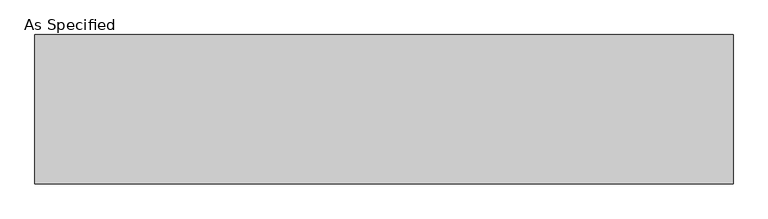
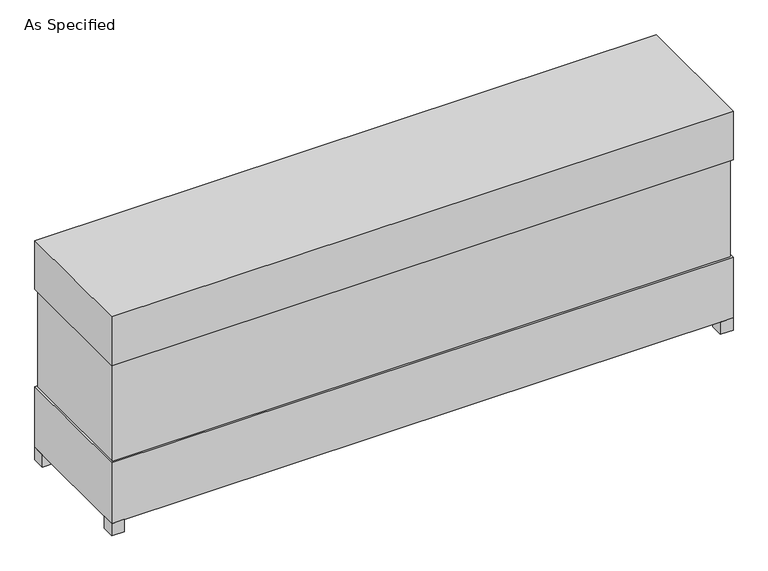
"""IFC4 building model written with IfcOpenShell, lengths in millimetres: proxy geometry, As Specified."""

from ifc_helpers import new_model, si_unit, frame, origin, origin_with_axes, place, context, project, spatial, polyline, outline, extrude, source, transform, mapped, element, save


def as_specified_dff8dc24(model_context):
    return source(origin(), model_context, "Body", "SweptSolid", [
        extrude(outline(polyline([(1830.3875, 382.5875), (1830.3875, -382.5875), (-1830.3875, -382.5875), (-1830.3875, 382.5875), (1830.3875, 382.5875)])), frame((0.0, 0.0, 457.2), z_axis=(0.0, 0.0, 1.0), x_axis=(1.0, 0.0, 0.0)), (0.0, 0.0, 1.0), 609.6),
        extrude(outline(polyline([(1841.5, 393.7), (1841.5, -393.7), (-1841.5, -393.7), (-1841.5, 393.7), (1841.5, 393.7)])), frame((0.0, 0.0, 1066.8), z_axis=(0.0, 0.0, 1.0), x_axis=(1.0, 0.0, 0.0)), (0.0, 0.0, 1.0), 304.8),
        extrude(outline(polyline([(1727.2, 177.8), (1727.2, 101.6), (1651.0, 101.6), (1651.0, 177.8), (1727.2, 177.8)])), frame((0.0, 0.0, 50.8), z_axis=(0.0, 0.0, 1.0), x_axis=(1.0, 0.0, 0.0)), (0.0, 0.0, 1.0), 25.4),
        extrude(outline(polyline([(1727.2, -101.6), (1727.2, -177.8), (1651.0, -177.8), (1651.0, -101.6), (1727.2, -101.6)])), frame((0.0, 0.0, 50.8), z_axis=(0.0, 0.0, 1.0), x_axis=(1.0, 0.0, 0.0)), (0.0, 0.0, 1.0), 25.4),
        extrude(outline(polyline([(-1765.3, 393.7), (-1765.3, 317.5), (-1841.5, 317.5), (-1841.5, 393.7), (-1765.3, 393.7)])), origin_with_axes(), (0.0, 0.0, 1.0), 76.2),
        extrude(outline(polyline([(1841.5, 393.7), (1841.5, 317.5), (1765.3, 317.5), (1765.3, 393.7), (1841.5, 393.7)])), origin_with_axes(), (0.0, 0.0, 1.0), 76.2),
        extrude(outline(polyline([(1841.5, -317.5), (1841.5, -393.7), (1765.3, -393.7), (1765.3, -317.5), (1841.5, -317.5)])), origin_with_axes(), (0.0, 0.0, 1.0), 76.2),
        extrude(outline(polyline([(-1765.3, -317.5), (-1765.3, -393.7), (-1841.5, -393.7), (-1841.5, -317.5), (-1765.3, -317.5)])), origin_with_axes(), (0.0, 0.0, 1.0), 76.2),
        extrude(outline(polyline([(1841.5, 393.7), (1841.5, -393.7), (-1841.5, -393.7), (-1841.5, 393.7), (1841.5, 393.7)])), frame((0.0, 0.0, 76.2), z_axis=(0.0, 0.0, 1.0), x_axis=(1.0, 0.0, 0.0)), (0.0, 0.0, 1.0), 381.0),
    ])


if __name__ == "__main__":
    model = new_model("IFC4")
    model_context = context("Model", 3, world=origin())
    ifc_project = project(units=[si_unit("LENGTHUNIT", "METRE", prefix="MILLI")], contexts=[model_context])
    site = spatial("IfcSite", under=ifc_project)
    building = spatial("IfcBuilding", under=site)
    placement = place(None, origin())
    as_specified_shape = as_specified_dff8dc24(model_context)
    element("IfcBuildingElementProxy", 1, Name="As Specified", ObjectType="As Specified", at=placement, inside=building, context=model_context, shape_type="MappedRepresentation", body=[
        mapped(as_specified_shape, transform((0.0, 0.0, 0.0), x_axis=(1.0, 0.0, 0.0), y_axis=(0.0, 1.0, 0.0), z_axis=(0.0, 0.0, 1.0))),
    ])
    save(model, "model.ifc")
